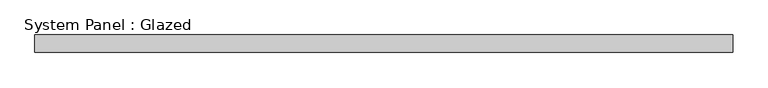
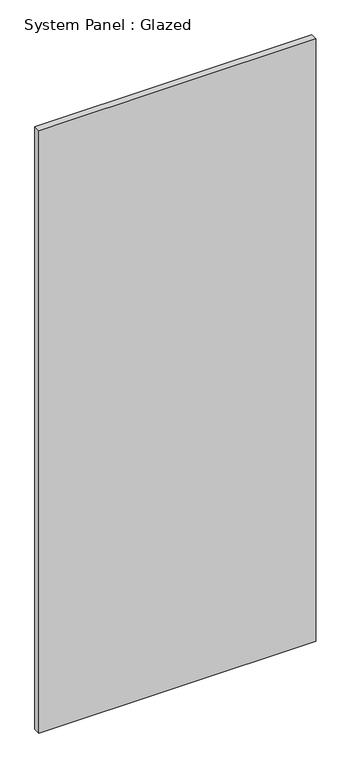
"""IFC4 building model written with IfcOpenShell, lengths in millimetres: plate geometry, System Panel : Glazed."""

from ifc_helpers import new_model, si_unit, origin, origin_with_axes, place, context, project, spatial, polyline, outline, extrude, source, transform, mapped, element, save


def system_panel_glazed_4aba5031(model_context):
    return source(origin(), model_context, "Body", "SweptSolid", [
        extrude(outline(polyline([(500.0, -49.5), (-500.0, -49.5), (-500.0, -24.5), (500.0, -24.5), (500.0, -49.5)])), origin_with_axes(), (0.0, 0.0, 1.0), 2300.0),
    ])


if __name__ == "__main__":
    model = new_model("IFC4")
    model_context = context("Model", 3, world=origin())
    ifc_project = project(units=[si_unit("LENGTHUNIT", "METRE", prefix="MILLI")], contexts=[model_context])
    site = spatial("IfcSite", under=ifc_project)
    building = spatial("IfcBuilding", under=site)
    placement = place(None, origin())
    system_panel_glazed_shape = system_panel_glazed_4aba5031(model_context)
    element("IfcPlate", 1, ObjectType="System Panel : Glazed", at=placement, inside=building, context=model_context, shape_type="MappedRepresentation", body=[
        mapped(system_panel_glazed_shape, transform((0.0, 0.0, 0.0), x_axis=(1.0, 0.0, 0.0), y_axis=(0.0, 1.0, 0.0), z_axis=(0.0, 0.0, 1.0))),
    ])
    save(model, "model.ifc")
